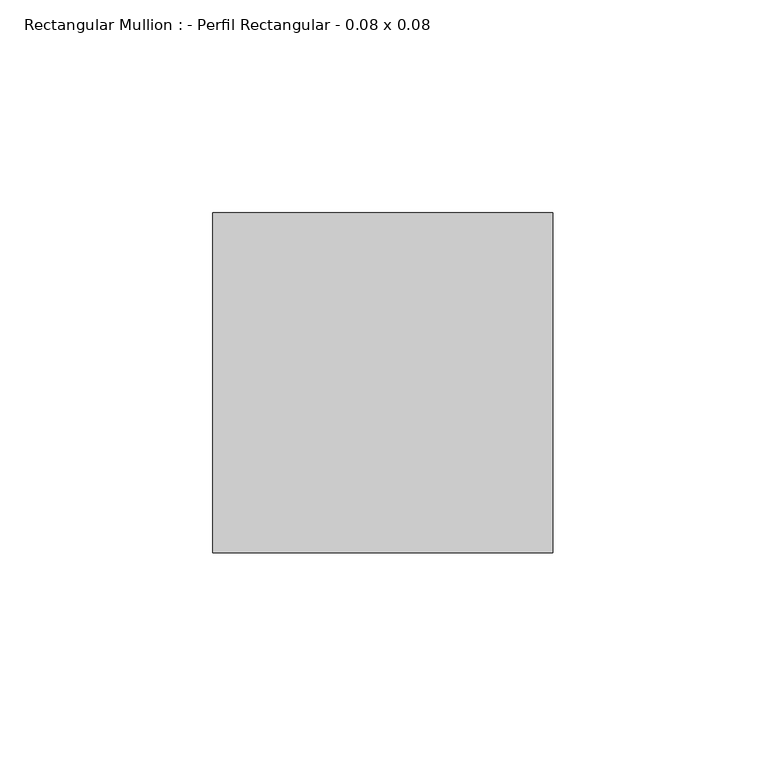
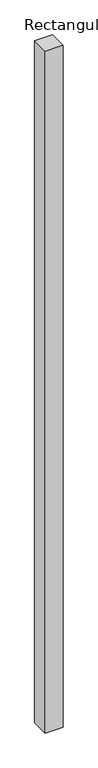
"""IFC4 building model written with IfcOpenShell, lengths in millimetres: member geometry, Rectangular Mullion : - Perfil Rectangular - 0.08 x 0.08."""

from ifc_helpers import new_model, si_unit, frame, origin, place, context, project, spatial, polyline, outline, extrude, source, transform, mapped, element, save


def rectangular_mullion_perfil_rectangular_0_08_x_0_08_1ea35a17(model_context):
    return source(origin(), model_context, "Body", "SweptSolid", [
        extrude(outline(polyline([(0.0, 80.0), (0.0, 0.0), (-80.0, 0.0), (-80.0, 80.0), (0.0, 80.0)])), frame((0.0, 0.0, -3190.0), z_axis=(0.0, 0.0, 1.0), x_axis=(1.0, 0.0, 0.0)), (0.0, 0.0, 1.0), 3190.0),
    ])


if __name__ == "__main__":
    model = new_model("IFC4")
    model_context = context("Model", 3, world=origin())
    ifc_project = project(units=[si_unit("LENGTHUNIT", "METRE", prefix="MILLI")], contexts=[model_context])
    site = spatial("IfcSite", under=ifc_project)
    building = spatial("IfcBuilding", under=site)
    placement = place(None, origin())
    rectangular_mullion_perfil_rectangular_0_08_x_0_08_shape = rectangular_mullion_perfil_rectangular_0_08_x_0_08_1ea35a17(model_context)
    element("IfcMember", 1, ObjectType="Rectangular Mullion : - Perfil Rectangular - 0.08 x 0.08", at=placement, inside=building, context=model_context, shape_type="MappedRepresentation", body=[
        mapped(rectangular_mullion_perfil_rectangular_0_08_x_0_08_shape, transform((0.0, 0.0, 0.0), x_axis=(1.0, 0.0, 0.0), y_axis=(0.0, 1.0, 0.0), z_axis=(0.0, 0.0, 1.0))),
    ])
    save(model, "model.ifc")
